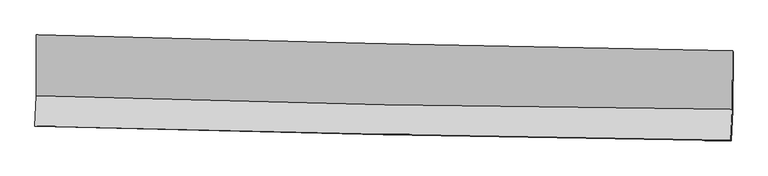
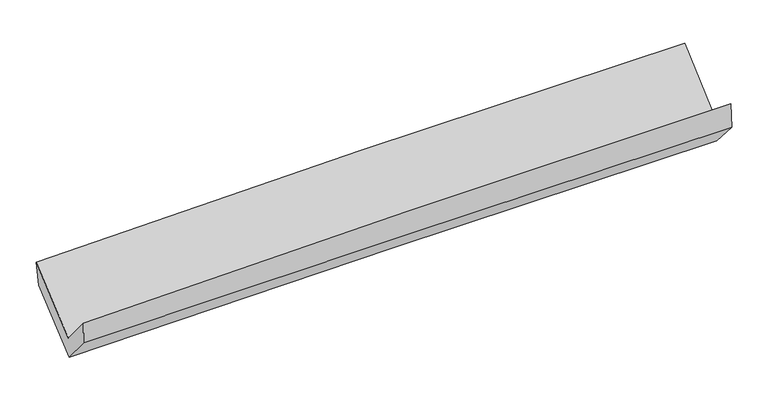
"""IFC4 building model written with IfcOpenShell, lengths in millimetres: proxy geometry."""

from ifc_helpers import new_model, si_unit, frame, origin, place, context, project, spatial, source, transform, mapped, element, save
from ifc_brep_helpers import plane_surface, spline_curve, spline_surface, advanced_brep


def generic_models_0454c9a8(model_context):
    return source(origin(), model_context, "Body", "AdvancedBrep", [
        advanced_brep(
        [(-3009.4683679, -1141.7429414, 2174.2038231), (-3010.8792256, -1666.8986738, 1738.5057166), (2998.9960487, -1784.4789217, 1879.9490373), (3001.8384282, -1276.9698447, 2326.8115162), (-3022.1037258, -1929.9015783, 2053.3571038), (2987.5897738, -2051.7410161, 2199.8992726), (-3018.1820243, -1927.6307409, 1856.7968268), (2991.592044, -2056.5161341, 1969.9290761), (-3007.4789157, -1676.8446405, 1556.5706687), (3002.3447915, -1797.9545053, 1676.2079805), (-3005.9589339, -1174.8574679, 1964.3618751), (3005.7917337, -1292.1247887, 2087.1880816)],
        [
            (0, 1),
            (1, 2, spline_curve(3, [(-3010.8792256, -1666.8986738, 1738.5057166), (-2009.958151778, -1697.70317369, 1788.105821728), (-1008.644477773, -1722.904030342, 1824.692743658), (994.647375256, -1762.096095975, 1871.837381725), (1996.625459138, -1776.088655348, 1882.398233223), (2998.9960487, -1784.4789217, 1879.9490373)], [4, 2, 4], [0.0, 9.866522111691953, 19.73185539895531])),
            (2, 3),
            (3, 0, spline_curve(3, [(3001.8384282, -1276.9698447, 2326.8115162), (1999.391597699, -1261.028803518, 2322.645852583), (997.256111659, -1241.790251765, 2307.847120105), (-1006.512895125, -1196.715412321, 2256.98045163), (-2008.146341641, -1170.878329309, 2220.909953304), (-3009.4683679, -1141.7429414, 2174.2038231)], [4, 2, 4], [0.0, 9.865333287263358, 19.73185539895531])),
            (1, 4),
            (4, 5, spline_curve(3, [(-3022.1037258, -1929.9015783, 2053.3571038), (-2021.00512331, -1956.546375159, 2097.977460752), (-1019.617839898, -1980.022480763, 2132.499613631), (983.613396432, -2020.634863382, 2181.34457011), (1985.457279558, -2037.771903299, 2195.669806565), (2987.5897738, -2051.7410161, 2199.8992726)], [4, 2, 4], [0.0, 9.864815586520916, 19.728442554233695])),
            (5, 2),
            (4, 6),
            (6, 7, spline_curve(3, [(-3018.1820243, -1927.6307409, 1856.7968268), (-2016.87665027, -1957.19074284, 1884.6608297), (-1015.379272529, -1982.711597127, 1908.020815444), (987.878796447, -2025.672421727, 1945.730479787), (1989.639441349, -2043.113365293, 1960.081244051), (2991.592044, -2056.5161341, 1969.9290761)], [4, 2, 4], [0.0, 9.863850707983177, 19.726512913417135])),
            (7, 5),
            (6, 8),
            (8, 9, spline_curve(3, [(-3007.4789157, -1676.8446405, 1556.5706687), (-2006.067586121, -1700.315322495, 1585.18648536), (-1004.513096714, -1722.143661345, 1609.464509032), (998.761507035, -1762.513220429, 1649.342567955), (2000.481586675, -1781.054836636, 1664.943648181), (3002.3447915, -1797.9545053, 1676.2079805)], [4, 2, 4], [0.0, 9.86332857744794, 19.72546871525855])),
            (9, 7),
            (8, 10),
            (10, 11, spline_curve(3, [(-3005.9589339, -1174.8574679, 1964.3618751), (-2004.244703172, -1196.39314498, 1994.560060066), (-1002.378172684, -1216.933789164, 2019.894993533), (1001.538752906, -1256.022656172, 2060.83589042), (2003.589112035, -1274.571118971, 2076.443025918), (3005.7917337, -1292.1247887, 2087.1880816)], [4, 2, 4], [0.0, 9.8648855104737, 19.728582393714078])),
            (11, 9),
            (10, 0),
            (3, 11),
        ],
        [
            spline_surface(3, 3, [[(-3009.4683679, -1141.7429414, 2174.2038231), (-2008.146341493, -1170.878329405, 2220.909953399), (-1006.512895271, -1196.715412221, 2256.980451773), (997.256111805, -1241.790251866, 2307.847119962), (1999.391597614, -1261.028803495, 2322.645852639), (3001.8384282, -1276.9698447, 2326.8115162)], [(-3009.938653777, -1316.794852218, 2028.971120906), (-2008.750278233, -1346.486610828, 2076.641909472), (-1007.223422703, -1372.111618244, 2112.884549095), (996.386532917, -1415.225533223, 2162.510540494), (1998.469551441, -1432.715420756, 2175.896646104), (3000.890968392, -1446.139537031, 2177.857356549)], [(-3010.408939723, -1491.846762982, 1883.738418794), (-2009.354215042, -1522.094892196, 1932.373865628), (-1007.933950181, -1547.507824312, 1968.788646459), (995.516953983, -1588.660814625, 2017.17396107), (1997.547505191, -1604.402038025, 2029.147439622), (2999.943508508, -1615.309229369, 2028.903196951)], [(-3010.8792256, -1666.8986738, 1738.5057166), (-2009.958151783, -1697.703173619, 1788.105821701), (-1008.644477613, -1722.904030335, 1824.692743781), (994.647375095, -1762.096095982, 1871.837381602), (1996.625459017, -1776.088655287, 1882.398233086), (2998.9960487, -1784.4789217, 1879.9490373)]], [4, 4], [4, 2, 4], [0.0, 2.2306781796015285], [0.0, 9.866522111691953, 19.73185539895531]),
            spline_surface(3, 3, [[(-3010.8792256, -1666.8986738, 1738.5057166), (-2009.958151783, -1697.703173619, 1788.105821701), (-1008.644477613, -1722.904030335, 1824.692743781), (994.647375095, -1762.096095982, 1871.837381602), (1996.625459017, -1776.088655287, 1882.398233086), (2998.9960487, -1784.4789217, 1879.9490373)], [(-3014.620725687, -1754.566308637, 1843.456178999), (-2013.640475606, -1783.98424078, 1891.396367996), (-1012.302264993, -1808.610180516, 1927.295033766), (990.969382176, -1848.275685074, 1975.006444407), (1992.902732465, -1863.316404688, 1986.822090884), (2995.19395704, -1873.566286527, 1986.599115745)], [(-3018.362225713, -1842.233943463, 1948.406641401), (-2017.322799368, -1870.265307929, 1994.686914295), (-1015.960052399, -1894.316330701, 2029.897323744), (987.291389232, -1934.455274171, 2078.175507206), (1989.180005993, -1950.544154008, 2091.245948645), (2991.39186546, -1962.653651273, 2093.249194155)], [(-3022.1037258, -1929.9015783, 2053.3571038), (-2021.005123191, -1956.546375089, 2097.977460591), (-1019.61783978, -1980.022480882, 2132.49961373), (983.613396314, -2020.634863263, 2181.344570011), (1985.45727944, -2037.771903409, 2195.669806443), (2987.5897738, -2051.7410161, 2199.8992726)]], [4, 4], [4, 2, 4], [0.0, 1.3199652194423668], [0.0, 9.864815586520916, 19.728442554233695]),
            spline_surface(3, 3, [[(-3022.1037258, -1929.9015783, 2053.3571038), (-2021.005123191, -1956.546375089, 2097.977460591), (-1019.61783978, -1980.022480882, 2132.49961373), (983.613396314, -2020.634863263, 2181.344570011), (1985.45727944, -2037.771903409, 2195.669806443), (2987.5897738, -2051.7410161, 2199.8992726)], [(-3020.796491959, -1929.144632476, 1987.83701147), (-2019.628965561, -1956.761164365, 2026.871916999), (-1018.204984042, -1980.918853004, 2057.673347615), (985.035196366, -2022.314049402, 2102.806539961), (1986.851333465, -2039.552390637, 2117.140285641), (2988.923863881, -2053.332722079, 2123.242540449)], [(-3019.489258141, -1928.387686724, 1922.31691913), (-2018.252807954, -1956.975953715, 1955.766373397), (-1016.792128298, -1981.815225089, 1982.847081493), (986.456996425, -2023.993235504, 2024.268509902), (1988.245387447, -2041.332877928, 2038.610764794), (2990.257953919, -2054.924428121, 2046.585808251)], [(-3018.1820243, -1927.6307409, 1856.7968268), (-2016.876650324, -1957.190742991, 1884.660829805), (-1015.37927256, -1982.711597211, 1908.020815378), (987.878796477, -2025.672421643, 1945.730479852), (1989.639441472, -2043.113365156, 1960.081243992), (2991.592044, -2056.5161341, 1969.9290761)]], [4, 4], [4, 2, 4], [0.0, 0.754978657709036], [0.0, 9.863850707983177, 19.726512913417135]),
            spline_surface(3, 3, [[(-3018.1820243, -1927.6307409, 1856.7968268), (-2016.876650324, -1957.190742991, 1884.660829805), (-1015.37927256, -1982.711597211, 1908.020815378), (987.878796477, -2025.672421643, 1945.730479852), (1989.639441472, -2043.113365156, 1960.081243992), (2991.592044, -2056.5161341, 1969.9290761)], [(-3014.614321434, -1844.035374125, 1756.721440784), (-2013.273628912, -1871.565602832, 1784.83604838), (-1011.757213915, -1895.855618578, 1808.502046651), (991.506366628, -1937.952687925, 1846.934509183), (1993.253489819, -1955.760522309, 1861.702045333), (2995.176293154, -1970.328924517, 1872.022044204)], [(-3011.046618566, -1760.440007275, 1656.646054716), (-2009.670607498, -1785.940462599, 1685.011266904), (-1008.135155262, -1808.999639932, 1708.983277897), (995.133936787, -1850.232954193, 1748.138538487), (1996.867538205, -1868.40767941, 1763.32284676), (2998.760542346, -1884.141714883, 1774.115012396)], [(-3007.4789157, -1676.8446405, 1556.5706687), (-2006.067586086, -1700.31532244, 1585.186485479), (-1004.513096617, -1722.143661299, 1609.464509169), (998.761506938, -1762.513220475, 1649.342567818), (2000.481586553, -1781.054836563, 1664.943648101), (3002.3447915, -1797.9545053, 1676.2079805)]], [4, 4], [4, 2, 4], [0.0, 1.3007213794896335], [0.0, 9.86332857744794, 19.72546871525855]),
            spline_surface(3, 3, [[(-3007.4789157, -1676.8446405, 1556.5706687), (-2006.067586086, -1700.31532244, 1585.186485479), (-1004.513096617, -1722.143661299, 1609.464509169), (998.761506938, -1762.513220475, 1649.342567818), (2000.481586553, -1781.054836563, 1664.943648101), (3002.3447915, -1797.9545053, 1676.2079805)], [(-3006.972255091, -1509.515582964, 1692.501070825), (-2005.459958445, -1532.341263268, 1721.644343669), (-1003.801455375, -1553.740370545, 1746.274670587), (999.687255625, -1593.683032383, 1786.507008677), (2001.517428348, -1612.226930721, 1802.110107377), (3003.49377224, -1629.344599768, 1813.201347564)], [(-3006.465594509, -1342.186525436, 1828.431472975), (-2004.852330832, -1364.367204105, 1858.102201884), (-1003.089814076, -1385.337079841, 1883.084832073), (1000.613004369, -1424.85284434, 1923.671449603), (2002.553270122, -1443.399024875, 1939.276566561), (3004.64275296, -1460.734694232, 1950.194714536)], [(-3005.9589339, -1174.8574679, 1964.3618751), (-2004.244703192, -1196.393144934, 1994.560060074), (-1002.378172833, -1216.933789087, 2019.894993491), (1001.538753055, -1256.022656248, 2060.835890461), (2003.589111918, -1274.571119033, 2076.443025837), (3005.7917337, -1292.1247887, 2087.1880816)]], [4, 4], [4, 2, 4], [0.0, 2.1382923557713007], [0.0, 9.8648855104737, 19.728582393714078]),
            spline_surface(3, 3, [[(-3005.9589339, -1174.8574679, 1964.3618751), (-2004.244703192, -1196.393144934, 1994.560060074), (-1002.378172833, -1216.933789087, 2019.894993491), (1001.538753055, -1256.022656248, 2060.835890461), (2003.589111918, -1274.571119033, 2076.443025837), (3005.7917337, -1292.1247887, 2087.1880816)], [(-3007.128745252, -1163.819292381, 2034.309191117), (-2005.545249311, -1187.888206405, 2070.010024533), (-1003.756413647, -1210.194330148, 2098.923479607), (1000.111205972, -1251.27852147, 2143.172966984), (2002.189940476, -1270.057013831, 2158.51063476), (3004.473965193, -1287.073140678, 2167.062559789)], [(-3008.298556548, -1152.781116919, 2104.256507083), (-2006.845795374, -1179.383267934, 2145.45998894), (-1005.134654458, -1203.45487116, 2177.951965656), (998.683658889, -1246.534386643, 2225.510043439), (2000.790769056, -1265.542908697, 2240.578243717), (3003.156196707, -1282.021492722, 2246.937038011)], [(-3009.4683679, -1141.7429414, 2174.2038231), (-2008.146341493, -1170.878329405, 2220.909953399), (-1006.512895271, -1196.715412221, 2256.980451773), (997.256111805, -1241.790251866, 2307.847119962), (1999.391597614, -1261.028803495, 2322.645852639), (3001.8384282, -1276.9698447, 2326.8115162)]], [4, 4], [4, 2, 4], [0.0, 0.7962480865546638], [0.0, 9.867103806867966, 19.733018719218464]),
            plane_surface(frame((2998.02547, -1709.9642018, 2023.3308274), z_axis=(0.9996138391181679, -0.021305843148254722, 0.01783910567208126), x_axis=(0.005288735617436772, 0.7761080594419613, 0.6305777583651377))),
            plane_surface(frame((-3012.3451989, -1586.3126738, 1890.632669), z_axis=(-0.9996239641242154, 0.019049712328645926, -0.019724066740544322), x_axis=(0.016517493061805694, -0.15585674323480067, -0.9876415584670355))),
        ],
        [
            (0, [[1, 2, 3, 4]]),
            (1, [[5, 6, 7, -2]]),
            (2, [[8, 9, 10, -6]]),
            (3, [[11, 12, 13, -9]]),
            (4, [[14, 15, 16, -12]]),
            (5, [[17, -4, 18, -15]]),
            (6, [[-16, -18, -3, -7, -10, -13]]),
            (7, [[-17, -14, -11, -8, -5, -1]]),
        ],
    ),
    ])


if __name__ == "__main__":
    model = new_model("IFC4")
    model_context = context("Model", 3, world=origin())
    ifc_project = project(units=[si_unit("LENGTHUNIT", "METRE", prefix="MILLI")], contexts=[model_context])
    site = spatial("IfcSite", under=ifc_project)
    building = spatial("IfcBuilding", under=site)
    placement = place(None, origin())
    generic_models_shape = generic_models_0454c9a8(model_context)
    element("IfcBuildingElementProxy", 1, Name="Generic Models", at=placement, inside=building, context=model_context, shape_type="MappedRepresentation", body=[
        mapped(generic_models_shape, transform((0.0, 0.0, 0.0), x_axis=(1.0, 0.0, 0.0), y_axis=(0.0, 1.0, 0.0), z_axis=(0.0, 0.0, 1.0))),
    ])
    save(model, "model.ifc")
